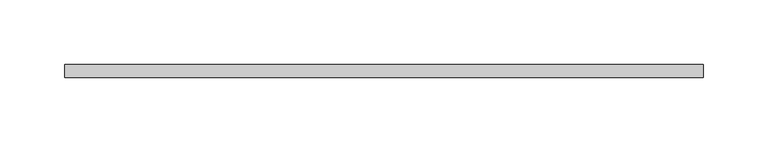
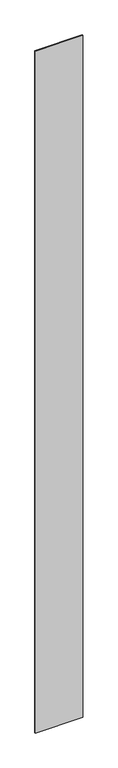
"""IFC4 building model written with IfcOpenShell, lengths in millimetres: plate geometry."""

from ifc_helpers import new_model, si_unit, origin, origin_with_axes, place, context, project, spatial, polyline, outline, extrude, source, transform, mapped, element, save


def plate_767bf151(model_context):
    return source(origin(), model_context, "Body", "SweptSolid", [
        extrude(outline(polyline([(246.106759, -5.0), (-246.106759, -5.0), (-246.106759, 5.0), (246.106759, 5.0), (246.106759, -5.0)])), origin_with_axes(), (0.0, 0.0, 1.0), 7500.0),
    ])


if __name__ == "__main__":
    model = new_model("IFC4")
    model_context = context("Model", 3, world=origin())
    ifc_project = project(units=[si_unit("LENGTHUNIT", "METRE", prefix="MILLI")], contexts=[model_context])
    site = spatial("IfcSite", under=ifc_project)
    building = spatial("IfcBuilding", under=site)
    placement = place(None, origin())
    plate_shape = plate_767bf151(model_context)
    element("IfcPlate", 1, at=placement, inside=building, context=model_context, shape_type="MappedRepresentation", body=[
        mapped(plate_shape, transform((0.0, 0.0, 0.0), x_axis=(1.0, 0.0, 0.0), y_axis=(0.0, 1.0, 0.0), z_axis=(0.0, 0.0, 1.0))),
    ])
    save(model, "model.ifc")
